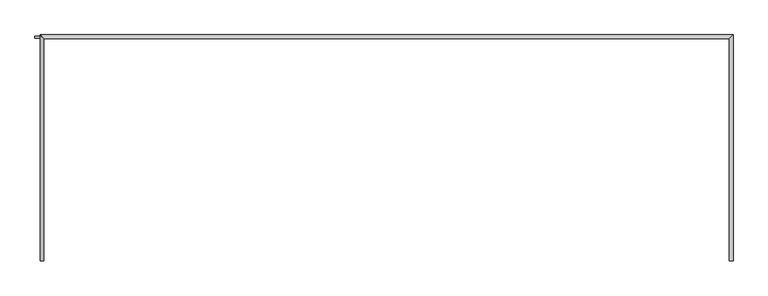
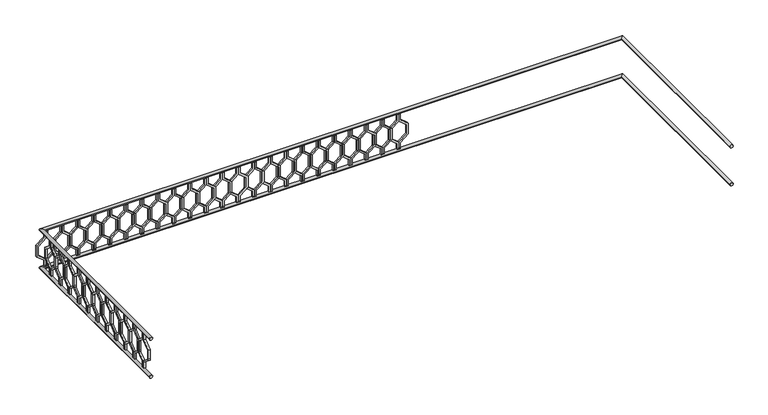
"""IFC4 building model written with IfcOpenShell, lengths in millimetres: railing geometry."""

from ifc_helpers import new_model, si_unit, frame, origin, place, context, project, spatial, polyline, circle_curve, ellipse_curve, outline, extrude, source, transform, mapped, element, save
from ifc_brep_helpers import plane_surface, cylinder_surface, advanced_brep


def railing_7418b027(model_context):
    return source(origin(), model_context, "Body", "SolidModel", [
        advanced_brep(
        [(-40739.9887159, 903.1079487, 28680.0), (-40699.9887159, 903.1079487, 28680.0), (-40739.9887159, 3243.1079487, 28680.0), (-40699.9887159, 3283.1079487, 28680.0), (-47939.9887159, 3243.1079487, 28680.0), (-47979.9887159, 3283.1079487, 28680.0), (-47939.9887159, 903.1079487, 28680.0), (-47979.9887159, 903.1079487, 28680.0)],
        [
            (0, 1, circle_curve(frame((-40719.9887159, 903.1079487, 28680.0), z_axis=(0.0, -1.0, 0.0), x_axis=(1.0, 0.0, 0.0)), 20.0)),
            (1, 0, circle_curve(frame((-40719.9887159, 903.1079487, 28680.0), z_axis=(0.0, -1.0, 0.0), x_axis=(1.0, 0.0, 0.0)), 20.0)),
            (0, 2),
            (2, 3, ellipse_curve(frame((-40719.9887159, 3263.1079487, 28680.0), z_axis=(0.7071067811865475, -0.7071067811865476, 0.0), x_axis=(-0.7071067811865476, -0.7071067811865475, 0.0)), 28.2842712, 20.0)),
            (3, 1),
            (3, 2, ellipse_curve(frame((-40719.9887159, 3263.1079487, 28680.0), z_axis=(0.7071067811865475, -0.7071067811865476, 0.0), x_axis=(-0.7071067811865476, -0.7071067811865475, 0.0)), 28.2842712, 20.0)),
            (2, 4),
            (4, 5, ellipse_curve(frame((-47959.9887159, 3263.1079487, 28680.0), z_axis=(0.7071067811865481, 0.7071067811865469, 0.0), x_axis=(0.7071067811865469, -0.7071067811865481, 0.0)), 28.2842712, 20.0)),
            (5, 3),
            (5, 4, ellipse_curve(frame((-47959.9887159, 3263.1079487, 28680.0), z_axis=(0.7071067811865481, 0.7071067811865469, 0.0), x_axis=(0.7071067811865469, -0.7071067811865481, 0.0)), 28.2842712, 20.0)),
            (6, 7, circle_curve(frame((-47959.9887159, 903.1079487, 28680.0), z_axis=(0.0, -1.0, 0.0), x_axis=(-1.0, 0.0, 0.0)), 20.0)),
            (7, 6, circle_curve(frame((-47959.9887159, 903.1079487, 28680.0), z_axis=(0.0, -1.0, 0.0), x_axis=(-1.0, 0.0, 0.0)), 20.0)),
            (4, 6),
            (7, 5),
        ],
        [
            plane_surface(frame((-40719.9887159, 903.1079487, 28700.0), z_axis=(0.0, -1.0, 0.0), x_axis=(0.0, 0.0, 1.0))),
            cylinder_surface(frame((-40719.9887159, 903.1079487, 28680.0), z_axis=(0.0, -1.0, 0.0), x_axis=(1.0, 0.0, 0.0)), 20.0),
            cylinder_surface(frame((-40719.9887159, 3263.1079487, 28680.0), z_axis=(1.0, 0.0, 0.0), x_axis=(0.0, 1.0, 0.0)), 20.0),
            plane_surface(frame((-47959.9887159, 903.1079487, 28700.0), z_axis=(0.0, -1.0, 0.0), x_axis=(0.0, 0.0, -1.0))),
            cylinder_surface(frame((-47959.9887159, 3263.1079487, 28680.0), z_axis=(0.0, 1.0, 0.0), x_axis=(-1.0, 0.0, 0.0)), 20.0),
        ],
        [
            (0, [[1, 2]]),
            (1, [[-1, 3, 4, 5]]),
            (1, [[-2, -5, 6, -3]]),
            (2, [[-4, 7, 8, 9]]),
            (2, [[-6, -9, 10, -7]]),
            (3, [[11, 12]]),
            (4, [[-8, 13, -12, 14]]),
            (4, [[-10, -14, -11, -13]]),
        ],
    ),
        advanced_brep(
        [(-40739.9887159, 903.1079487, 28180.0), (-40699.9887159, 903.1079487, 28180.0), (-40739.9887159, 3243.1079487, 28180.0), (-40699.9887159, 3283.1079487, 28180.0), (-47939.9887159, 3243.1079487, 28180.0), (-47979.9887159, 3283.1079487, 28180.0), (-47939.9887159, 903.1079487, 28180.0), (-47979.9887159, 903.1079487, 28180.0)],
        [
            (0, 1, circle_curve(frame((-40719.9887159, 903.1079487, 28180.0), z_axis=(0.0, -1.0, 0.0), x_axis=(1.0, 0.0, 0.0)), 20.0)),
            (1, 0, circle_curve(frame((-40719.9887159, 903.1079487, 28180.0), z_axis=(0.0, -1.0, 0.0), x_axis=(1.0, 0.0, 0.0)), 20.0)),
            (0, 2),
            (2, 3, ellipse_curve(frame((-40719.9887159, 3263.1079487, 28180.0), z_axis=(0.7071067811865475, -0.7071067811865476, 0.0), x_axis=(-0.7071067811865476, -0.7071067811865475, 0.0)), 28.2842712, 20.0)),
            (3, 1),
            (3, 2, ellipse_curve(frame((-40719.9887159, 3263.1079487, 28180.0), z_axis=(0.7071067811865475, -0.7071067811865476, 0.0), x_axis=(-0.7071067811865476, -0.7071067811865475, 0.0)), 28.2842712, 20.0)),
            (2, 4),
            (4, 5, ellipse_curve(frame((-47959.9887159, 3263.1079487, 28180.0), z_axis=(0.7071067811865481, 0.7071067811865469, 0.0), x_axis=(0.7071067811865469, -0.7071067811865481, 0.0)), 28.2842712, 20.0)),
            (5, 3),
            (5, 4, ellipse_curve(frame((-47959.9887159, 3263.1079487, 28180.0), z_axis=(0.7071067811865481, 0.7071067811865469, 0.0), x_axis=(0.7071067811865469, -0.7071067811865481, 0.0)), 28.2842712, 20.0)),
            (6, 7, circle_curve(frame((-47959.9887159, 903.1079487, 28180.0), z_axis=(0.0, -1.0, 0.0), x_axis=(-1.0, 0.0, 0.0)), 20.0)),
            (7, 6, circle_curve(frame((-47959.9887159, 903.1079487, 28180.0), z_axis=(0.0, -1.0, 0.0), x_axis=(-1.0, 0.0, 0.0)), 20.0)),
            (4, 6),
            (7, 5),
        ],
        [
            plane_surface(frame((-40719.9887159, 903.1079487, 28200.0), z_axis=(0.0, -1.0, 0.0), x_axis=(0.0, 0.0, 1.0))),
            cylinder_surface(frame((-40719.9887159, 903.1079487, 28180.0), z_axis=(0.0, -1.0, 0.0), x_axis=(1.0, 0.0, 0.0)), 20.0),
            cylinder_surface(frame((-40719.9887159, 3263.1079487, 28180.0), z_axis=(1.0, 0.0, 0.0), x_axis=(0.0, 1.0, 0.0)), 20.0),
            plane_surface(frame((-47959.9887159, 903.1079487, 28200.0), z_axis=(0.0, -1.0, 0.0), x_axis=(0.0, 0.0, -1.0))),
            cylinder_surface(frame((-47959.9887159, 3263.1079487, 28180.0), z_axis=(0.0, 1.0, 0.0), x_axis=(-1.0, 0.0, 0.0)), 20.0),
        ],
        [
            (0, [[1, 2]]),
            (1, [[-1, 3, 4, 5]]),
            (1, [[-2, -5, 6, -3]]),
            (2, [[-4, 7, 8, 9]]),
            (2, [[-6, -9, 10, -7]]),
            (3, [[11, 12]]),
            (4, [[-8, 13, -12, 14]]),
            (4, [[-10, -14, -11, -13]]),
        ],
    ),
        extrude(outline(polyline([(1068.1079487, 28660.0), (1068.1079487, 28570.448155), (969.1129993, 28490.448155), (969.1129993, 28369.551845), (1068.1079487, 28289.551845), (1068.1079487, 28200.0), (1048.1079487, 28200.0), (1048.1079487, 28280.0), (949.1129993, 28360.0), (949.1129993, 28500.0), (1048.1079487, 28580.0), (1048.1079487, 28660.0), (1068.1079487, 28660.0)])), frame((-47964.9887159, 0.0, 0.0), z_axis=(1.0, 0.0, 0.0), x_axis=(0.0, 1.0, 0.0)), (0.0, 0.0, 1.0), 20.0),
        extrude(outline(polyline([(1068.1079487, 28660.0), (1088.1079487, 28660.0), (1088.1079487, 28580.0), (1187.102898, 28500.0), (1187.102898, 28360.0), (1088.1079487, 28280.0), (1088.1079487, 28200.0), (1068.1079487, 28200.0), (1068.1079487, 28289.551845), (1167.102898, 28369.551845), (1167.102898, 28490.448155), (1068.1079487, 28570.448155), (1068.1079487, 28660.0)])), frame((-47964.9887159, 0.0, 0.0), z_axis=(1.0, 0.0, 0.0), x_axis=(0.0, 1.0, 0.0)), (0.0, 0.0, 1.0), 20.0),
        extrude(outline(polyline([(1268.1079487, 28660.0), (1268.1079487, 28570.448155), (1169.1129993, 28490.448155), (1169.1129993, 28369.551845), (1268.1079487, 28289.551845), (1268.1079487, 28200.0), (1248.1079487, 28200.0), (1248.1079487, 28280.0), (1149.1129993, 28360.0), (1149.1129993, 28500.0), (1248.1079487, 28580.0), (1248.1079487, 28660.0), (1268.1079487, 28660.0)])), frame((-47964.9887159, 0.0, 0.0), z_axis=(1.0, 0.0, 0.0), x_axis=(0.0, 1.0, 0.0)), (0.0, 0.0, 1.0), 20.0),
        extrude(outline(polyline([(1268.1079487, 28660.0), (1288.1079487, 28660.0), (1288.1079487, 28580.0), (1387.102898, 28500.0), (1387.102898, 28360.0), (1288.1079487, 28280.0), (1288.1079487, 28200.0), (1268.1079487, 28200.0), (1268.1079487, 28289.551845), (1367.102898, 28369.551845), (1367.102898, 28490.448155), (1268.1079487, 28570.448155), (1268.1079487, 28660.0)])), frame((-47964.9887159, 0.0, 0.0), z_axis=(1.0, 0.0, 0.0), x_axis=(0.0, 1.0, 0.0)), (0.0, 0.0, 1.0), 20.0),
        extrude(outline(polyline([(1468.1079487, 28660.0), (1468.1079487, 28570.448155), (1369.1129993, 28490.448155), (1369.1129993, 28369.551845), (1468.1079487, 28289.551845), (1468.1079487, 28200.0), (1448.1079487, 28200.0), (1448.1079487, 28280.0), (1349.1129993, 28360.0), (1349.1129993, 28500.0), (1448.1079487, 28580.0), (1448.1079487, 28660.0), (1468.1079487, 28660.0)])), frame((-47964.9887159, 0.0, 0.0), z_axis=(1.0, 0.0, 0.0), x_axis=(0.0, 1.0, 0.0)), (0.0, 0.0, 1.0), 20.0),
        extrude(outline(polyline([(1468.1079487, 28660.0), (1488.1079487, 28660.0), (1488.1079487, 28580.0), (1587.102898, 28500.0), (1587.102898, 28360.0), (1488.1079487, 28280.0), (1488.1079487, 28200.0), (1468.1079487, 28200.0), (1468.1079487, 28289.551845), (1567.102898, 28369.551845), (1567.102898, 28490.448155), (1468.1079487, 28570.448155), (1468.1079487, 28660.0)])), frame((-47964.9887159, 0.0, 0.0), z_axis=(1.0, 0.0, 0.0), x_axis=(0.0, 1.0, 0.0)), (0.0, 0.0, 1.0), 20.0),
        extrude(outline(polyline([(1668.1079487, 28660.0), (1668.1079487, 28570.448155), (1569.1129993, 28490.448155), (1569.1129993, 28369.551845), (1668.1079487, 28289.551845), (1668.1079487, 28200.0), (1648.1079487, 28200.0), (1648.1079487, 28280.0), (1549.1129993, 28360.0), (1549.1129993, 28500.0), (1648.1079487, 28580.0), (1648.1079487, 28660.0), (1668.1079487, 28660.0)])), frame((-47964.9887159, 0.0, 0.0), z_axis=(1.0, 0.0, 0.0), x_axis=(0.0, 1.0, 0.0)), (0.0, 0.0, 1.0), 20.0),
        extrude(outline(polyline([(1668.1079487, 28660.0), (1688.1079487, 28660.0), (1688.1079487, 28580.0), (1787.102898, 28500.0), (1787.102898, 28360.0), (1688.1079487, 28280.0), (1688.1079487, 28200.0), (1668.1079487, 28200.0), (1668.1079487, 28289.551845), (1767.102898, 28369.551845), (1767.102898, 28490.448155), (1668.1079487, 28570.448155), (1668.1079487, 28660.0)])), frame((-47964.9887159, 0.0, 0.0), z_axis=(1.0, 0.0, 0.0), x_axis=(0.0, 1.0, 0.0)), (0.0, 0.0, 1.0), 20.0),
        extrude(outline(polyline([(1868.1079487, 28660.0), (1868.1079487, 28570.448155), (1769.1129993, 28490.448155), (1769.1129993, 28369.551845), (1868.1079487, 28289.551845), (1868.1079487, 28200.0), (1848.1079487, 28200.0), (1848.1079487, 28280.0), (1749.1129993, 28360.0), (1749.1129993, 28500.0), (1848.1079487, 28580.0), (1848.1079487, 28660.0), (1868.1079487, 28660.0)])), frame((-47964.9887159, 0.0, 0.0), z_axis=(1.0, 0.0, 0.0), x_axis=(0.0, 1.0, 0.0)), (0.0, 0.0, 1.0), 20.0),
        extrude(outline(polyline([(1868.1079487, 28660.0), (1888.1079487, 28660.0), (1888.1079487, 28580.0), (1987.102898, 28500.0), (1987.102898, 28360.0), (1888.1079487, 28280.0), (1888.1079487, 28200.0), (1868.1079487, 28200.0), (1868.1079487, 28289.551845), (1967.102898, 28369.551845), (1967.102898, 28490.448155), (1868.1079487, 28570.448155), (1868.1079487, 28660.0)])), frame((-47964.9887159, 0.0, 0.0), z_axis=(1.0, 0.0, 0.0), x_axis=(0.0, 1.0, 0.0)), (0.0, 0.0, 1.0), 20.0),
        extrude(outline(polyline([(2068.1079487, 28660.0), (2068.1079487, 28570.448155), (1969.1129993, 28490.448155), (1969.1129993, 28369.551845), (2068.1079487, 28289.551845), (2068.1079487, 28200.0), (2048.1079487, 28200.0), (2048.1079487, 28280.0), (1949.1129993, 28360.0), (1949.1129993, 28500.0), (2048.1079487, 28580.0), (2048.1079487, 28660.0), (2068.1079487, 28660.0)])), frame((-47964.9887159, 0.0, 0.0), z_axis=(1.0, 0.0, 0.0), x_axis=(0.0, 1.0, 0.0)), (0.0, 0.0, 1.0), 20.0),
        extrude(outline(polyline([(2068.1079487, 28660.0), (2088.1079487, 28660.0), (2088.1079487, 28580.0), (2187.102898, 28500.0), (2187.102898, 28360.0), (2088.1079487, 28280.0), (2088.1079487, 28200.0), (2068.1079487, 28200.0), (2068.1079487, 28289.551845), (2167.102898, 28369.551845), (2167.102898, 28490.448155), (2068.1079487, 28570.448155), (2068.1079487, 28660.0)])), frame((-47964.9887159, 0.0, 0.0), z_axis=(1.0, 0.0, 0.0), x_axis=(0.0, 1.0, 0.0)), (0.0, 0.0, 1.0), 20.0),
        extrude(outline(polyline([(2268.1079487, 28660.0), (2268.1079487, 28570.448155), (2169.1129993, 28490.448155), (2169.1129993, 28369.551845), (2268.1079487, 28289.551845), (2268.1079487, 28200.0), (2248.1079487, 28200.0), (2248.1079487, 28280.0), (2149.1129993, 28360.0), (2149.1129993, 28500.0), (2248.1079487, 28580.0), (2248.1079487, 28660.0), (2268.1079487, 28660.0)])), frame((-47964.9887159, 0.0, 0.0), z_axis=(1.0, 0.0, 0.0), x_axis=(0.0, 1.0, 0.0)), (0.0, 0.0, 1.0), 20.0),
        extrude(outline(polyline([(2268.1079487, 28660.0), (2288.1079487, 28660.0), (2288.1079487, 28580.0), (2387.102898, 28500.0), (2387.102898, 28360.0), (2288.1079487, 28280.0), (2288.1079487, 28200.0), (2268.1079487, 28200.0), (2268.1079487, 28289.551845), (2367.102898, 28369.551845), (2367.102898, 28490.448155), (2268.1079487, 28570.448155), (2268.1079487, 28660.0)])), frame((-47964.9887159, 0.0, 0.0), z_axis=(1.0, 0.0, 0.0), x_axis=(0.0, 1.0, 0.0)), (0.0, 0.0, 1.0), 20.0),
        extrude(outline(polyline([(2468.1079487, 28660.0), (2468.1079487, 28570.448155), (2369.1129993, 28490.448155), (2369.1129993, 28369.551845), (2468.1079487, 28289.551845), (2468.1079487, 28200.0), (2448.1079487, 28200.0), (2448.1079487, 28280.0), (2349.1129993, 28360.0), (2349.1129993, 28500.0), (2448.1079487, 28580.0), (2448.1079487, 28660.0), (2468.1079487, 28660.0)])), frame((-47964.9887159, 0.0, 0.0), z_axis=(1.0, 0.0, 0.0), x_axis=(0.0, 1.0, 0.0)), (0.0, 0.0, 1.0), 20.0),
        extrude(outline(polyline([(2468.1079487, 28660.0), (2488.1079487, 28660.0), (2488.1079487, 28580.0), (2587.102898, 28500.0), (2587.102898, 28360.0), (2488.1079487, 28280.0), (2488.1079487, 28200.0), (2468.1079487, 28200.0), (2468.1079487, 28289.551845), (2567.102898, 28369.551845), (2567.102898, 28490.448155), (2468.1079487, 28570.448155), (2468.1079487, 28660.0)])), frame((-47964.9887159, 0.0, 0.0), z_axis=(1.0, 0.0, 0.0), x_axis=(0.0, 1.0, 0.0)), (0.0, 0.0, 1.0), 20.0),
        extrude(outline(polyline([(2668.1079487, 28660.0), (2668.1079487, 28570.448155), (2569.1129993, 28490.448155), (2569.1129993, 28369.551845), (2668.1079487, 28289.551845), (2668.1079487, 28200.0), (2648.1079487, 28200.0), (2648.1079487, 28280.0), (2549.1129993, 28360.0), (2549.1129993, 28500.0), (2648.1079487, 28580.0), (2648.1079487, 28660.0), (2668.1079487, 28660.0)])), frame((-47964.9887159, 0.0, 0.0), z_axis=(1.0, 0.0, 0.0), x_axis=(0.0, 1.0, 0.0)), (0.0, 0.0, 1.0), 20.0),
        extrude(outline(polyline([(2668.1079487, 28660.0), (2688.1079487, 28660.0), (2688.1079487, 28580.0), (2787.102898, 28500.0), (2787.102898, 28360.0), (2688.1079487, 28280.0), (2688.1079487, 28200.0), (2668.1079487, 28200.0), (2668.1079487, 28289.551845), (2767.102898, 28369.551845), (2767.102898, 28490.448155), (2668.1079487, 28570.448155), (2668.1079487, 28660.0)])), frame((-47964.9887159, 0.0, 0.0), z_axis=(1.0, 0.0, 0.0), x_axis=(0.0, 1.0, 0.0)), (0.0, 0.0, 1.0), 20.0),
        extrude(outline(polyline([(2868.1079487, 28660.0), (2868.1079487, 28570.448155), (2769.1129993, 28490.448155), (2769.1129993, 28369.551845), (2868.1079487, 28289.551845), (2868.1079487, 28200.0), (2848.1079487, 28200.0), (2848.1079487, 28280.0), (2749.1129993, 28360.0), (2749.1129993, 28500.0), (2848.1079487, 28580.0), (2848.1079487, 28660.0), (2868.1079487, 28660.0)])), frame((-47964.9887159, 0.0, 0.0), z_axis=(1.0, 0.0, 0.0), x_axis=(0.0, 1.0, 0.0)), (0.0, 0.0, 1.0), 20.0),
        extrude(outline(polyline([(2868.1079487, 28660.0), (2888.1079487, 28660.0), (2888.1079487, 28580.0), (2987.102898, 28500.0), (2987.102898, 28360.0), (2888.1079487, 28280.0), (2888.1079487, 28200.0), (2868.1079487, 28200.0), (2868.1079487, 28289.551845), (2967.102898, 28369.551845), (2967.102898, 28490.448155), (2868.1079487, 28570.448155), (2868.1079487, 28660.0)])), frame((-47964.9887159, 0.0, 0.0), z_axis=(1.0, 0.0, 0.0), x_axis=(0.0, 1.0, 0.0)), (0.0, 0.0, 1.0), 20.0),
        extrude(outline(polyline([(3068.1079487, 28660.0), (3068.1079487, 28570.448155), (2969.1129993, 28490.448155), (2969.1129993, 28369.551845), (3068.1079487, 28289.551845), (3068.1079487, 28200.0), (3048.1079487, 28200.0), (3048.1079487, 28280.0), (2949.1129993, 28360.0), (2949.1129993, 28500.0), (3048.1079487, 28580.0), (3048.1079487, 28660.0), (3068.1079487, 28660.0)])), frame((-47964.9887159, 0.0, 0.0), z_axis=(1.0, 0.0, 0.0), x_axis=(0.0, 1.0, 0.0)), (0.0, 0.0, 1.0), 20.0),
        extrude(outline(polyline([(3068.1079487, 28660.0), (3088.1079487, 28660.0), (3088.1079487, 28580.0), (3187.102898, 28500.0), (3187.102898, 28360.0), (3088.1079487, 28280.0), (3088.1079487, 28200.0), (3068.1079487, 28200.0), (3068.1079487, 28289.551845), (3167.102898, 28369.551845), (3167.102898, 28490.448155), (3068.1079487, 28570.448155), (3068.1079487, 28660.0)])), frame((-47964.9887159, 0.0, 0.0), z_axis=(1.0, 0.0, 0.0), x_axis=(0.0, 1.0, 0.0)), (0.0, 0.0, 1.0), 20.0),
        extrude(outline(polyline([(28660.0, -47914.9887159), (28660.0, -47934.9887159), (28580.0, -47934.9887159), (28500.0, -48033.9836653), (28360.0, -48033.9836653), (28280.0, -47934.9887159), (28200.0, -47934.9887159), (28200.0, -47914.9887159), (28289.551845, -47914.9887159), (28369.551845, -48013.9836653), (28490.448155, -48013.9836653), (28570.448155, -47914.9887159), (28660.0, -47914.9887159)])), frame((0.0, 3248.1079487, 0.0), z_axis=(0.0, 1.0, 0.0), x_axis=(0.0, 0.0, 1.0)), (0.0, 0.0, 1.0), 20.0),
        extrude(outline(polyline([(28660.0, -47914.9887159), (28570.448155, -47914.9887159), (28490.448155, -47815.9937665), (28369.551845, -47815.9937665), (28289.551845, -47914.9887159), (28200.0, -47914.9887159), (28200.0, -47894.9887159), (28280.0, -47894.9887159), (28360.0, -47795.9937665), (28500.0, -47795.9937665), (28580.0, -47894.9887159), (28660.0, -47894.9887159), (28660.0, -47914.9887159)])), frame((0.0, 3248.1079487, 0.0), z_axis=(0.0, 1.0, 0.0), x_axis=(0.0, 0.0, 1.0)), (0.0, 0.0, 1.0), 20.0),
        extrude(outline(polyline([(28660.0, -47714.9887159), (28660.0, -47734.9887159), (28580.0, -47734.9887159), (28500.0, -47833.9836653), (28360.0, -47833.9836653), (28280.0, -47734.9887159), (28200.0, -47734.9887159), (28200.0, -47714.9887159), (28289.551845, -47714.9887159), (28369.551845, -47813.9836653), (28490.448155, -47813.9836653), (28570.448155, -47714.9887159), (28660.0, -47714.9887159)])), frame((0.0, 3248.1079487, 0.0), z_axis=(0.0, 1.0, 0.0), x_axis=(0.0, 0.0, 1.0)), (0.0, 0.0, 1.0), 20.0),
        extrude(outline(polyline([(28660.0, -47714.9887159), (28570.448155, -47714.9887159), (28490.448155, -47615.9937665), (28369.551845, -47615.9937665), (28289.551845, -47714.9887159), (28200.0, -47714.9887159), (28200.0, -47694.9887159), (28280.0, -47694.9887159), (28360.0, -47595.9937665), (28500.0, -47595.9937665), (28580.0, -47694.9887159), (28660.0, -47694.9887159), (28660.0, -47714.9887159)])), frame((0.0, 3248.1079487, 0.0), z_axis=(0.0, 1.0, 0.0), x_axis=(0.0, 0.0, 1.0)), (0.0, 0.0, 1.0), 20.0),
        extrude(outline(polyline([(28660.0, -47514.9887159), (28660.0, -47534.9887159), (28580.0, -47534.9887159), (28500.0, -47633.9836653), (28360.0, -47633.9836653), (28280.0, -47534.9887159), (28200.0, -47534.9887159), (28200.0, -47514.9887159), (28289.551845, -47514.9887159), (28369.551845, -47613.9836653), (28490.448155, -47613.9836653), (28570.448155, -47514.9887159), (28660.0, -47514.9887159)])), frame((0.0, 3248.1079487, 0.0), z_axis=(0.0, 1.0, 0.0), x_axis=(0.0, 0.0, 1.0)), (0.0, 0.0, 1.0), 20.0),
        extrude(outline(polyline([(28660.0, -47514.9887159), (28570.448155, -47514.9887159), (28490.448155, -47415.9937665), (28369.551845, -47415.9937665), (28289.551845, -47514.9887159), (28200.0, -47514.9887159), (28200.0, -47494.9887159), (28280.0, -47494.9887159), (28360.0, -47395.9937665), (28500.0, -47395.9937665), (28580.0, -47494.9887159), (28660.0, -47494.9887159), (28660.0, -47514.9887159)])), frame((0.0, 3248.1079487, 0.0), z_axis=(0.0, 1.0, 0.0), x_axis=(0.0, 0.0, 1.0)), (0.0, 0.0, 1.0), 20.0),
        extrude(outline(polyline([(28660.0, -47314.9887159), (28660.0, -47334.9887159), (28580.0, -47334.9887159), (28500.0, -47433.9836653), (28360.0, -47433.9836653), (28280.0, -47334.9887159), (28200.0, -47334.9887159), (28200.0, -47314.9887159), (28289.551845, -47314.9887159), (28369.551845, -47413.9836653), (28490.448155, -47413.9836653), (28570.448155, -47314.9887159), (28660.0, -47314.9887159)])), frame((0.0, 3248.1079487, 0.0), z_axis=(0.0, 1.0, 0.0), x_axis=(0.0, 0.0, 1.0)), (0.0, 0.0, 1.0), 20.0),
        extrude(outline(polyline([(28660.0, -47314.9887159), (28570.448155, -47314.9887159), (28490.448155, -47215.9937665), (28369.551845, -47215.9937665), (28289.551845, -47314.9887159), (28200.0, -47314.9887159), (28200.0, -47294.9887159), (28280.0, -47294.9887159), (28360.0, -47195.9937665), (28500.0, -47195.9937665), (28580.0, -47294.9887159), (28660.0, -47294.9887159), (28660.0, -47314.9887159)])), frame((0.0, 3248.1079487, 0.0), z_axis=(0.0, 1.0, 0.0), x_axis=(0.0, 0.0, 1.0)), (0.0, 0.0, 1.0), 20.0),
        extrude(outline(polyline([(28660.0, -47114.9887159), (28660.0, -47134.9887159), (28580.0, -47134.9887159), (28500.0, -47233.9836653), (28360.0, -47233.9836653), (28280.0, -47134.9887159), (28200.0, -47134.9887159), (28200.0, -47114.9887159), (28289.551845, -47114.9887159), (28369.551845, -47213.9836653), (28490.448155, -47213.9836653), (28570.448155, -47114.9887159), (28660.0, -47114.9887159)])), frame((0.0, 3248.1079487, 0.0), z_axis=(0.0, 1.0, 0.0), x_axis=(0.0, 0.0, 1.0)), (0.0, 0.0, 1.0), 20.0),
        extrude(outline(polyline([(28660.0, -47114.9887159), (28570.448155, -47114.9887159), (28490.448155, -47015.9937665), (28369.551845, -47015.9937665), (28289.551845, -47114.9887159), (28200.0, -47114.9887159), (28200.0, -47094.9887159), (28280.0, -47094.9887159), (28360.0, -46995.9937665), (28500.0, -46995.9937665), (28580.0, -47094.9887159), (28660.0, -47094.9887159), (28660.0, -47114.9887159)])), frame((0.0, 3248.1079487, 0.0), z_axis=(0.0, 1.0, 0.0), x_axis=(0.0, 0.0, 1.0)), (0.0, 0.0, 1.0), 20.0),
        extrude(outline(polyline([(28660.0, -46914.9887159), (28660.0, -46934.9887159), (28580.0, -46934.9887159), (28500.0, -47033.9836653), (28360.0, -47033.9836653), (28280.0, -46934.9887159), (28200.0, -46934.9887159), (28200.0, -46914.9887159), (28289.551845, -46914.9887159), (28369.551845, -47013.9836653), (28490.448155, -47013.9836653), (28570.448155, -46914.9887159), (28660.0, -46914.9887159)])), frame((0.0, 3248.1079487, 0.0), z_axis=(0.0, 1.0, 0.0), x_axis=(0.0, 0.0, 1.0)), (0.0, 0.0, 1.0), 20.0),
        extrude(outline(polyline([(28660.0, -46914.9887159), (28570.448155, -46914.9887159), (28490.448155, -46815.9937665), (28369.551845, -46815.9937665), (28289.551845, -46914.9887159), (28200.0, -46914.9887159), (28200.0, -46894.9887159), (28280.0, -46894.9887159), (28360.0, -46795.9937665), (28500.0, -46795.9937665), (28580.0, -46894.9887159), (28660.0, -46894.9887159), (28660.0, -46914.9887159)])), frame((0.0, 3248.1079487, 0.0), z_axis=(0.0, 1.0, 0.0), x_axis=(0.0, 0.0, 1.0)), (0.0, 0.0, 1.0), 20.0),
        extrude(outline(polyline([(28660.0, -46714.9887159), (28660.0, -46734.9887159), (28580.0, -46734.9887159), (28500.0, -46833.9836653), (28360.0, -46833.9836653), (28280.0, -46734.9887159), (28200.0, -46734.9887159), (28200.0, -46714.9887159), (28289.551845, -46714.9887159), (28369.551845, -46813.9836653), (28490.448155, -46813.9836653), (28570.448155, -46714.9887159), (28660.0, -46714.9887159)])), frame((0.0, 3248.1079487, 0.0), z_axis=(0.0, 1.0, 0.0), x_axis=(0.0, 0.0, 1.0)), (0.0, 0.0, 1.0), 20.0),
        extrude(outline(polyline([(28660.0, -46714.9887159), (28570.448155, -46714.9887159), (28490.448155, -46615.9937665), (28369.551845, -46615.9937665), (28289.551845, -46714.9887159), (28200.0, -46714.9887159), (28200.0, -46694.9887159), (28280.0, -46694.9887159), (28360.0, -46595.9937665), (28500.0, -46595.9937665), (28580.0, -46694.9887159), (28660.0, -46694.9887159), (28660.0, -46714.9887159)])), frame((0.0, 3248.1079487, 0.0), z_axis=(0.0, 1.0, 0.0), x_axis=(0.0, 0.0, 1.0)), (0.0, 0.0, 1.0), 20.0),
        extrude(outline(polyline([(28660.0, -46514.9887159), (28660.0, -46534.9887159), (28580.0, -46534.9887159), (28500.0, -46633.9836653), (28360.0, -46633.9836653), (28280.0, -46534.9887159), (28200.0, -46534.9887159), (28200.0, -46514.9887159), (28289.551845, -46514.9887159), (28369.551845, -46613.9836653), (28490.448155, -46613.9836653), (28570.448155, -46514.9887159), (28660.0, -46514.9887159)])), frame((0.0, 3248.1079487, 0.0), z_axis=(0.0, 1.0, 0.0), x_axis=(0.0, 0.0, 1.0)), (0.0, 0.0, 1.0), 20.0),
        extrude(outline(polyline([(28660.0, -46514.9887159), (28570.448155, -46514.9887159), (28490.448155, -46415.9937665), (28369.551845, -46415.9937665), (28289.551845, -46514.9887159), (28200.0, -46514.9887159), (28200.0, -46494.9887159), (28280.0, -46494.9887159), (28360.0, -46395.9937665), (28500.0, -46395.9937665), (28580.0, -46494.9887159), (28660.0, -46494.9887159), (28660.0, -46514.9887159)])), frame((0.0, 3248.1079487, 0.0), z_axis=(0.0, 1.0, 0.0), x_axis=(0.0, 0.0, 1.0)), (0.0, 0.0, 1.0), 20.0),
        extrude(outline(polyline([(28660.0, -46314.9887159), (28660.0, -46334.9887159), (28580.0, -46334.9887159), (28500.0, -46433.9836653), (28360.0, -46433.9836653), (28280.0, -46334.9887159), (28200.0, -46334.9887159), (28200.0, -46314.9887159), (28289.551845, -46314.9887159), (28369.551845, -46413.9836653), (28490.448155, -46413.9836653), (28570.448155, -46314.9887159), (28660.0, -46314.9887159)])), frame((0.0, 3248.1079487, 0.0), z_axis=(0.0, 1.0, 0.0), x_axis=(0.0, 0.0, 1.0)), (0.0, 0.0, 1.0), 20.0),
        extrude(outline(polyline([(28660.0, -46314.9887159), (28570.448155, -46314.9887159), (28490.448155, -46215.9937665), (28369.551845, -46215.9937665), (28289.551845, -46314.9887159), (28200.0, -46314.9887159), (28200.0, -46294.9887159), (28280.0, -46294.9887159), (28360.0, -46195.9937665), (28500.0, -46195.9937665), (28580.0, -46294.9887159), (28660.0, -46294.9887159), (28660.0, -46314.9887159)])), frame((0.0, 3248.1079487, 0.0), z_axis=(0.0, 1.0, 0.0), x_axis=(0.0, 0.0, 1.0)), (0.0, 0.0, 1.0), 20.0),
        extrude(outline(polyline([(28660.0, -46114.9887159), (28660.0, -46134.9887159), (28580.0, -46134.9887159), (28500.0, -46233.9836653), (28360.0, -46233.9836653), (28280.0, -46134.9887159), (28200.0, -46134.9887159), (28200.0, -46114.9887159), (28289.551845, -46114.9887159), (28369.551845, -46213.9836653), (28490.448155, -46213.9836653), (28570.448155, -46114.9887159), (28660.0, -46114.9887159)])), frame((0.0, 3248.1079487, 0.0), z_axis=(0.0, 1.0, 0.0), x_axis=(0.0, 0.0, 1.0)), (0.0, 0.0, 1.0), 20.0),
        extrude(outline(polyline([(28660.0, -46114.9887159), (28570.448155, -46114.9887159), (28490.448155, -46015.9937665), (28369.551845, -46015.9937665), (28289.551845, -46114.9887159), (28200.0, -46114.9887159), (28200.0, -46094.9887159), (28280.0, -46094.9887159), (28360.0, -45995.9937665), (28500.0, -45995.9937665), (28580.0, -46094.9887159), (28660.0, -46094.9887159), (28660.0, -46114.9887159)])), frame((0.0, 3248.1079487, 0.0), z_axis=(0.0, 1.0, 0.0), x_axis=(0.0, 0.0, 1.0)), (0.0, 0.0, 1.0), 20.0),
        extrude(outline(polyline([(28660.0, -45914.9887159), (28660.0, -45934.9887159), (28580.0, -45934.9887159), (28500.0, -46033.9836653), (28360.0, -46033.9836653), (28280.0, -45934.9887159), (28200.0, -45934.9887159), (28200.0, -45914.9887159), (28289.551845, -45914.9887159), (28369.551845, -46013.9836653), (28490.448155, -46013.9836653), (28570.448155, -45914.9887159), (28660.0, -45914.9887159)])), frame((0.0, 3248.1079487, 0.0), z_axis=(0.0, 1.0, 0.0), x_axis=(0.0, 0.0, 1.0)), (0.0, 0.0, 1.0), 20.0),
        extrude(outline(polyline([(28660.0, -45914.9887159), (28570.448155, -45914.9887159), (28490.448155, -45815.9937665), (28369.551845, -45815.9937665), (28289.551845, -45914.9887159), (28200.0, -45914.9887159), (28200.0, -45894.9887159), (28280.0, -45894.9887159), (28360.0, -45795.9937665), (28500.0, -45795.9937665), (28580.0, -45894.9887159), (28660.0, -45894.9887159), (28660.0, -45914.9887159)])), frame((0.0, 3248.1079487, 0.0), z_axis=(0.0, 1.0, 0.0), x_axis=(0.0, 0.0, 1.0)), (0.0, 0.0, 1.0), 20.0),
        extrude(outline(polyline([(28660.0, -45714.9887159), (28660.0, -45734.9887159), (28580.0, -45734.9887159), (28500.0, -45833.9836653), (28360.0, -45833.9836653), (28280.0, -45734.9887159), (28200.0, -45734.9887159), (28200.0, -45714.9887159), (28289.551845, -45714.9887159), (28369.551845, -45813.9836653), (28490.448155, -45813.9836653), (28570.448155, -45714.9887159), (28660.0, -45714.9887159)])), frame((0.0, 3248.1079487, 0.0), z_axis=(0.0, 1.0, 0.0), x_axis=(0.0, 0.0, 1.0)), (0.0, 0.0, 1.0), 20.0),
        extrude(outline(polyline([(28660.0, -45714.9887159), (28570.448155, -45714.9887159), (28490.448155, -45615.9937665), (28369.551845, -45615.9937665), (28289.551845, -45714.9887159), (28200.0, -45714.9887159), (28200.0, -45694.9887159), (28280.0, -45694.9887159), (28360.0, -45595.9937665), (28500.0, -45595.9937665), (28580.0, -45694.9887159), (28660.0, -45694.9887159), (28660.0, -45714.9887159)])), frame((0.0, 3248.1079487, 0.0), z_axis=(0.0, 1.0, 0.0), x_axis=(0.0, 0.0, 1.0)), (0.0, 0.0, 1.0), 20.0),
        extrude(outline(polyline([(28660.0, -45514.9887159), (28660.0, -45534.9887159), (28580.0, -45534.9887159), (28500.0, -45633.9836653), (28360.0, -45633.9836653), (28280.0, -45534.9887159), (28200.0, -45534.9887159), (28200.0, -45514.9887159), (28289.551845, -45514.9887159), (28369.551845, -45613.9836653), (28490.448155, -45613.9836653), (28570.448155, -45514.9887159), (28660.0, -45514.9887159)])), frame((0.0, 3248.1079487, 0.0), z_axis=(0.0, 1.0, 0.0), x_axis=(0.0, 0.0, 1.0)), (0.0, 0.0, 1.0), 20.0),
        extrude(outline(polyline([(28660.0, -45514.9887159), (28570.448155, -45514.9887159), (28490.448155, -45415.9937665), (28369.551845, -45415.9937665), (28289.551845, -45514.9887159), (28200.0, -45514.9887159), (28200.0, -45494.9887159), (28280.0, -45494.9887159), (28360.0, -45395.9937665), (28500.0, -45395.9937665), (28580.0, -45494.9887159), (28660.0, -45494.9887159), (28660.0, -45514.9887159)])), frame((0.0, 3248.1079487, 0.0), z_axis=(0.0, 1.0, 0.0), x_axis=(0.0, 0.0, 1.0)), (0.0, 0.0, 1.0), 20.0),
        extrude(outline(polyline([(28660.0, -45314.9887159), (28660.0, -45334.9887159), (28580.0, -45334.9887159), (28500.0, -45433.9836653), (28360.0, -45433.9836653), (28280.0, -45334.9887159), (28200.0, -45334.9887159), (28200.0, -45314.9887159), (28289.551845, -45314.9887159), (28369.551845, -45413.9836653), (28490.448155, -45413.9836653), (28570.448155, -45314.9887159), (28660.0, -45314.9887159)])), frame((0.0, 3248.1079487, 0.0), z_axis=(0.0, 1.0, 0.0), x_axis=(0.0, 0.0, 1.0)), (0.0, 0.0, 1.0), 20.0),
        extrude(outline(polyline([(28660.0, -45314.9887159), (28570.448155, -45314.9887159), (28490.448155, -45215.9937665), (28369.551845, -45215.9937665), (28289.551845, -45314.9887159), (28200.0, -45314.9887159), (28200.0, -45294.9887159), (28280.0, -45294.9887159), (28360.0, -45195.9937665), (28500.0, -45195.9937665), (28580.0, -45294.9887159), (28660.0, -45294.9887159), (28660.0, -45314.9887159)])), frame((0.0, 3248.1079487, 0.0), z_axis=(0.0, 1.0, 0.0), x_axis=(0.0, 0.0, 1.0)), (0.0, 0.0, 1.0), 20.0),
        extrude(outline(polyline([(28660.0, -45114.9887159), (28660.0, -45134.9887159), (28580.0, -45134.9887159), (28500.0, -45233.9836653), (28360.0, -45233.9836653), (28280.0, -45134.9887159), (28200.0, -45134.9887159), (28200.0, -45114.9887159), (28289.551845, -45114.9887159), (28369.551845, -45213.9836653), (28490.448155, -45213.9836653), (28570.448155, -45114.9887159), (28660.0, -45114.9887159)])), frame((0.0, 3248.1079487, 0.0), z_axis=(0.0, 1.0, 0.0), x_axis=(0.0, 0.0, 1.0)), (0.0, 0.0, 1.0), 20.0),
        extrude(outline(polyline([(28660.0, -45114.9887159), (28570.448155, -45114.9887159), (28490.448155, -45015.9937665), (28369.551845, -45015.9937665), (28289.551845, -45114.9887159), (28200.0, -45114.9887159), (28200.0, -45094.9887159), (28280.0, -45094.9887159), (28360.0, -44995.9937665), (28500.0, -44995.9937665), (28580.0, -45094.9887159), (28660.0, -45094.9887159), (28660.0, -45114.9887159)])), frame((0.0, 3248.1079487, 0.0), z_axis=(0.0, 1.0, 0.0), x_axis=(0.0, 0.0, 1.0)), (0.0, 0.0, 1.0), 20.0),
        extrude(outline(polyline([(28660.0, -44914.9887159), (28660.0, -44934.9887159), (28580.0, -44934.9887159), (28500.0, -45033.9836653), (28360.0, -45033.9836653), (28280.0, -44934.9887159), (28200.0, -44934.9887159), (28200.0, -44914.9887159), (28289.551845, -44914.9887159), (28369.551845, -45013.9836653), (28490.448155, -45013.9836653), (28570.448155, -44914.9887159), (28660.0, -44914.9887159)])), frame((0.0, 3248.1079487, 0.0), z_axis=(0.0, 1.0, 0.0), x_axis=(0.0, 0.0, 1.0)), (0.0, 0.0, 1.0), 20.0),
        extrude(outline(polyline([(28660.0, -44914.9887159), (28570.448155, -44914.9887159), (28490.448155, -44815.9937665), (28369.551845, -44815.9937665), (28289.551845, -44914.9887159), (28200.0, -44914.9887159), (28200.0, -44894.9887159), (28280.0, -44894.9887159), (28360.0, -44795.9937665), (28500.0, -44795.9937665), (28580.0, -44894.9887159), (28660.0, -44894.9887159), (28660.0, -44914.9887159)])), frame((0.0, 3248.1079487, 0.0), z_axis=(0.0, 1.0, 0.0), x_axis=(0.0, 0.0, 1.0)), (0.0, 0.0, 1.0), 20.0),
        extrude(outline(polyline([(28660.0, -44714.9887159), (28660.0, -44734.9887159), (28580.0, -44734.9887159), (28500.0, -44833.9836653), (28360.0, -44833.9836653), (28280.0, -44734.9887159), (28200.0, -44734.9887159), (28200.0, -44714.9887159), (28289.551845, -44714.9887159), (28369.551845, -44813.9836653), (28490.448155, -44813.9836653), (28570.448155, -44714.9887159), (28660.0, -44714.9887159)])), frame((0.0, 3248.1079487, 0.0), z_axis=(0.0, 1.0, 0.0), x_axis=(0.0, 0.0, 1.0)), (0.0, 0.0, 1.0), 20.0),
        extrude(outline(polyline([(28660.0, -44714.9887159), (28570.448155, -44714.9887159), (28490.448155, -44615.9937665), (28369.551845, -44615.9937665), (28289.551845, -44714.9887159), (28200.0, -44714.9887159), (28200.0, -44694.9887159), (28280.0, -44694.9887159), (28360.0, -44595.9937665), (28500.0, -44595.9937665), (28580.0, -44694.9887159), (28660.0, -44694.9887159), (28660.0, -44714.9887159)])), frame((0.0, 3248.1079487, 0.0), z_axis=(0.0, 1.0, 0.0), x_axis=(0.0, 0.0, 1.0)), (0.0, 0.0, 1.0), 20.0),
        extrude(outline(polyline([(28660.0, -44514.9887159), (28660.0, -44534.9887159), (28580.0, -44534.9887159), (28500.0, -44633.9836653), (28360.0, -44633.9836653), (28280.0, -44534.9887159), (28200.0, -44534.9887159), (28200.0, -44514.9887159), (28289.551845, -44514.9887159), (28369.551845, -44613.9836653), (28490.448155, -44613.9836653), (28570.448155, -44514.9887159), (28660.0, -44514.9887159)])), frame((0.0, 3248.1079487, 0.0), z_axis=(0.0, 1.0, 0.0), x_axis=(0.0, 0.0, 1.0)), (0.0, 0.0, 1.0), 20.0),
        extrude(outline(polyline([(28660.0, -44514.9887159), (28570.448155, -44514.9887159), (28490.448155, -44415.9937665), (28369.551845, -44415.9937665), (28289.551845, -44514.9887159), (28200.0, -44514.9887159), (28200.0, -44494.9887159), (28280.0, -44494.9887159), (28360.0, -44395.9937665), (28500.0, -44395.9937665), (28580.0, -44494.9887159), (28660.0, -44494.9887159), (28660.0, -44514.9887159)])), frame((0.0, 3248.1079487, 0.0), z_axis=(0.0, 1.0, 0.0), x_axis=(0.0, 0.0, 1.0)), (0.0, 0.0, 1.0), 20.0),
        extrude(outline(polyline([(28660.0, -44314.9887159), (28660.0, -44334.9887159), (28580.0, -44334.9887159), (28500.0, -44433.9836653), (28360.0, -44433.9836653), (28280.0, -44334.9887159), (28200.0, -44334.9887159), (28200.0, -44314.9887159), (28289.551845, -44314.9887159), (28369.551845, -44413.9836653), (28490.448155, -44413.9836653), (28570.448155, -44314.9887159), (28660.0, -44314.9887159)])), frame((0.0, 3248.1079487, 0.0), z_axis=(0.0, 1.0, 0.0), x_axis=(0.0, 0.0, 1.0)), (0.0, 0.0, 1.0), 20.0),
        extrude(outline(polyline([(28660.0, -44314.9887159), (28570.448155, -44314.9887159), (28490.448155, -44215.9937665), (28369.551845, -44215.9937665), (28289.551845, -44314.9887159), (28200.0, -44314.9887159), (28200.0, -44294.9887159), (28280.0, -44294.9887159), (28360.0, -44195.9937665), (28500.0, -44195.9937665), (28580.0, -44294.9887159), (28660.0, -44294.9887159), (28660.0, -44314.9887159)])), frame((0.0, 3248.1079487, 0.0), z_axis=(0.0, 1.0, 0.0), x_axis=(0.0, 0.0, 1.0)), (0.0, 0.0, 1.0), 20.0),
        extrude(outline(polyline([(28660.0, -44114.9887159), (28660.0, -44134.9887159), (28580.0, -44134.9887159), (28500.0, -44233.9836653), (28360.0, -44233.9836653), (28280.0, -44134.9887159), (28200.0, -44134.9887159), (28200.0, -44114.9887159), (28289.551845, -44114.9887159), (28369.551845, -44213.9836653), (28490.448155, -44213.9836653), (28570.448155, -44114.9887159), (28660.0, -44114.9887159)])), frame((0.0, 3248.1079487, 0.0), z_axis=(0.0, 1.0, 0.0), x_axis=(0.0, 0.0, 1.0)), (0.0, 0.0, 1.0), 20.0),
        extrude(outline(polyline([(28660.0, -44114.9887159), (28570.448155, -44114.9887159), (28490.448155, -44015.9937665), (28369.551845, -44015.9937665), (28289.551845, -44114.9887159), (28200.0, -44114.9887159), (28200.0, -44094.9887159), (28280.0, -44094.9887159), (28360.0, -43995.9937665), (28500.0, -43995.9937665), (28580.0, -44094.9887159), (28660.0, -44094.9887159), (28660.0, -44114.9887159)])), frame((0.0, 3248.1079487, 0.0), z_axis=(0.0, 1.0, 0.0), x_axis=(0.0, 0.0, 1.0)), (0.0, 0.0, 1.0), 20.0),
        extrude(outline(polyline([(28660.0, -43914.9887159), (28660.0, -43934.9887159), (28580.0, -43934.9887159), (28500.0, -44033.9836653), (28360.0, -44033.9836653), (28280.0, -43934.9887159), (28200.0, -43934.9887159), (28200.0, -43914.9887159), (28289.551845, -43914.9887159), (28369.551845, -44013.9836653), (28490.448155, -44013.9836653), (28570.448155, -43914.9887159), (28660.0, -43914.9887159)])), frame((0.0, 3248.1079487, 0.0), z_axis=(0.0, 1.0, 0.0), x_axis=(0.0, 0.0, 1.0)), (0.0, 0.0, 1.0), 20.0),
        extrude(outline(polyline([(28660.0, -43914.9887159), (28570.448155, -43914.9887159), (28490.448155, -43815.9937665), (28369.551845, -43815.9937665), (28289.551845, -43914.9887159), (28200.0, -43914.9887159), (28200.0, -43894.9887159), (28280.0, -43894.9887159), (28360.0, -43795.9937665), (28500.0, -43795.9937665), (28580.0, -43894.9887159), (28660.0, -43894.9887159), (28660.0, -43914.9887159)])), frame((0.0, 3248.1079487, 0.0), z_axis=(0.0, 1.0, 0.0), x_axis=(0.0, 0.0, 1.0)), (0.0, 0.0, 1.0), 20.0),
        extrude(outline(polyline([(28660.0, -43714.9887159), (28660.0, -43734.9887159), (28580.0, -43734.9887159), (28500.0, -43833.9836653), (28360.0, -43833.9836653), (28280.0, -43734.9887159), (28200.0, -43734.9887159), (28200.0, -43714.9887159), (28289.551845, -43714.9887159), (28369.551845, -43813.9836653), (28490.448155, -43813.9836653), (28570.448155, -43714.9887159), (28660.0, -43714.9887159)])), frame((0.0, 3248.1079487, 0.0), z_axis=(0.0, 1.0, 0.0), x_axis=(0.0, 0.0, 1.0)), (0.0, 0.0, 1.0), 20.0),
        extrude(outline(polyline([(28660.0, -43714.9887159), (28570.448155, -43714.9887159), (28490.448155, -43615.9937665), (28369.551845, -43615.9937665), (28289.551845, -43714.9887159), (28200.0, -43714.9887159), (28200.0, -43694.9887159), (28280.0, -43694.9887159), (28360.0, -43595.9937665), (28500.0, -43595.9937665), (28580.0, -43694.9887159), (28660.0, -43694.9887159), (28660.0, -43714.9887159)])), frame((0.0, 3248.1079487, 0.0), z_axis=(0.0, 1.0, 0.0), x_axis=(0.0, 0.0, 1.0)), (0.0, 0.0, 1.0), 20.0),
        extrude(outline(polyline([(28660.0, -43514.9887159), (28660.0, -43534.9887159), (28580.0, -43534.9887159), (28500.0, -43633.9836653), (28360.0, -43633.9836653), (28280.0, -43534.9887159), (28200.0, -43534.9887159), (28200.0, -43514.9887159), (28289.551845, -43514.9887159), (28369.551845, -43613.9836653), (28490.448155, -43613.9836653), (28570.448155, -43514.9887159), (28660.0, -43514.9887159)])), frame((0.0, 3248.1079487, 0.0), z_axis=(0.0, 1.0, 0.0), x_axis=(0.0, 0.0, 1.0)), (0.0, 0.0, 1.0), 20.0),
        extrude(outline(polyline([(28660.0, -43514.9887159), (28570.448155, -43514.9887159), (28490.448155, -43415.9937665), (28369.551845, -43415.9937665), (28289.551845, -43514.9887159), (28200.0, -43514.9887159), (28200.0, -43494.9887159), (28280.0, -43494.9887159), (28360.0, -43395.9937665), (28500.0, -43395.9937665), (28580.0, -43494.9887159), (28660.0, -43494.9887159), (28660.0, -43514.9887159)])), frame((0.0, 3248.1079487, 0.0), z_axis=(0.0, 1.0, 0.0), x_axis=(0.0, 0.0, 1.0)), (0.0, 0.0, 1.0), 20.0),
    ])


if __name__ == "__main__":
    model = new_model("IFC4")
    model_context = context("Model", 3, world=origin())
    ifc_project = project(units=[si_unit("LENGTHUNIT", "METRE", prefix="MILLI")], contexts=[model_context])
    site = spatial("IfcSite", under=ifc_project)
    building = spatial("IfcBuilding", under=site)
    placement = place(None, origin())
    railing_shape = railing_7418b027(model_context)
    element("IfcRailing", 1, at=placement, inside=building, context=model_context, shape_type="MappedRepresentation", body=[
        mapped(railing_shape, transform((0.0, 0.0, 0.0), x_axis=(1.0, 0.0, 0.0), y_axis=(0.0, 1.0, 0.0), z_axis=(0.0, 0.0, 1.0))),
    ])
    save(model, "model.ifc")
